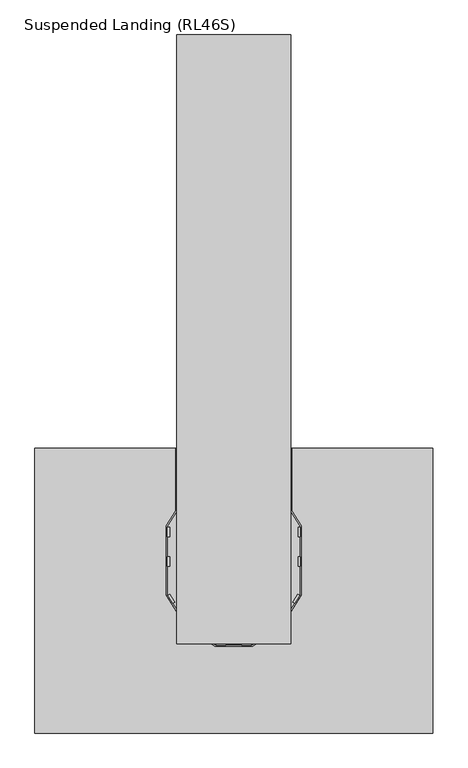
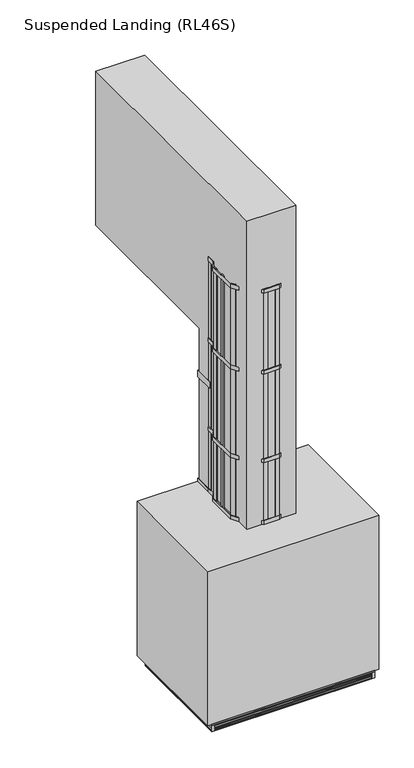
"""IFC4 building model written with IfcOpenShell, lengths in millimetres: proxy geometry, Suspended Landing (RL46S)."""

from ifc_helpers import new_model, si_unit, point, frame, frame_2d, origin, place, context, project, spatial, polyline, circle_curve, trimmed, segment, composite_curve, outline, extrude, faceted_brep, source, transform, mapped, element, save


def suspended_landing_rl46s_12ea2ded(model_context):
    return source(origin(), model_context, "Body", "SolidModel", [
        faceted_brep([(-2372.0, 139.0, 4911.0), (-2410.5, 139.0, 4911.0), (-2410.5, -1275.0, 4911.0), (-2372.0, -1275.0, 4911.0), (-2372.0, -1278.0, 4911.0), (-449.0, -1278.0, 4911.0), (-449.0, -1275.0, 4911.0), (-410.5, -1275.0, 4911.0), (-410.5, 139.0, 4911.0), (-449.0, 139.0, 4911.0), (-449.0, 142.0, 4911.0), (-2372.0, 142.0, 4911.0), (-423.5, 129.0, 4911.0), (-423.5, -1265.0, 4911.0), (-2397.5, -1265.0, 4911.0), (-2397.5, 129.0, 4911.0), (-2372.0, 142.0, 4904.0), (-2372.0, 139.0, 4904.0), (-2372.0, 139.0, 4949.0), (-2372.0, 139.0, 4967.0), (-2372.0, 142.0, 4967.0), (-2372.0, 142.0, 4949.0), (-2372.0, 139.0, 4921.0), (-2372.0, 139.0, 4939.0), (-2372.0, 142.0, 4939.0), (-2372.0, 142.0, 4921.0), (-2372.0, 139.0, 4984.0), (-2372.0, 142.0, 4984.0), (-2372.0, 142.0, 4977.0), (-2372.0, 139.0, 4977.0), (-2410.5, 139.0, 4967.0), (-2410.5, -1275.0, 4967.0), (-2372.0, -1275.0, 4967.0), (-2372.0, -1278.0, 4967.0), (-449.0, -1278.0, 4967.0), (-449.0, -1275.0, 4967.0), (-410.5, -1275.0, 4967.0), (-410.5, 139.0, 4967.0), (-449.0, 139.0, 4967.0), (-449.0, 142.0, 4967.0), (-423.5, 129.0, 4967.0), (-423.5, -1265.0, 4967.0), (-2397.5, -1265.0, 4967.0), (-2397.5, 129.0, 4967.0), (-423.5, 129.0, 4977.0), (-2397.5, 129.0, 4977.0), (-2410.5, 139.0, 4921.0), (-449.0, 142.0, 4921.0), (-449.0, 139.0, 4921.0), (-410.5, 139.0, 4921.0), (-410.5, -1275.0, 4921.0), (-449.0, -1275.0, 4921.0), (-449.0, -1278.0, 4921.0), (-2372.0, -1278.0, 4921.0), (-2372.0, -1275.0, 4921.0), (-2410.5, -1275.0, 4921.0), (-423.5, -1265.0, 4921.0), (-423.5, 129.0, 4921.0), (-2397.5, 129.0, 4921.0), (-2397.5, -1265.0, 4921.0), (-410.5, 139.0, 4949.0), (-449.0, 139.0, 4949.0), (-410.5, 139.0, 4939.0), (-449.0, 139.0, 4939.0), (-410.5, 139.0, 4904.0), (-449.0, 139.0, 4904.0), (-449.0, 139.0, 4984.0), (-410.5, 139.0, 4984.0), (-410.5, 139.0, 4977.0), (-449.0, 139.0, 4977.0), (-410.5, -1275.0, 4904.0), (-410.5, -1275.0, 4984.0), (-410.5, -1275.0, 4977.0), (-410.5, -1275.0, 4949.0), (-410.5, -1275.0, 4939.0), (-2372.0, -1239.5, 4984.0), (-449.0, -1239.5, 4984.0), (-449.0, -1239.5, 4904.0), (-2372.0, -1239.5, 4904.0), (-2410.5, -1275.0, 4939.0), (-2372.0, -1275.0, 4939.0), (-2410.5, -1275.0, 4904.0), (-2372.0, -1275.0, 4904.0), (-2372.0, -1275.0, 4984.0), (-2410.5, -1275.0, 4984.0), (-2410.5, -1275.0, 4977.0), (-2372.0, -1275.0, 4977.0), (-2410.5, -1275.0, 4949.0), (-2372.0, -1275.0, 4949.0), (-449.0, 142.0, 4904.0), (-449.0, -1275.0, 4904.0), (-449.0, -1278.0, 4904.0), (-2372.0, -1278.0, 4904.0), (-2410.5, 139.0, 4904.0), (-449.0, 103.5, 4904.0), (-2372.0, 103.5, 4904.0), (-2410.5, 139.0, 4984.0), (-2372.0, -1278.0, 4984.0), (-449.0, -1278.0, 4984.0), (-449.0, -1275.0, 4984.0), (-449.0, 142.0, 4984.0), (-449.0, 103.5, 4984.0), (-2372.0, 103.5, 4984.0), (-2410.5, 139.0, 4949.0), (-2410.5, 139.0, 4939.0), (-2410.5, 139.0, 4977.0), (-449.0, -1275.0, 4977.0), (-449.0, -1275.0, 4949.0), (-449.0, -1275.0, 4939.0), (-2372.0, -1278.0, 4939.0), (-2372.0, -1278.0, 4977.0), (-2372.0, -1278.0, 4949.0), (-449.0, -1278.0, 4949.0), (-449.0, -1278.0, 4939.0), (-449.0, -1278.0, 4977.0), (-449.0, 142.0, 4939.0), (-449.0, 142.0, 4977.0), (-449.0, 142.0, 4949.0), (-423.5, -1265.0, 4977.0), (-2397.5, -1265.0, 4977.0), (-423.5, 129.0, 4949.0), (-423.5, -1265.0, 4949.0), (-423.5, -1265.0, 4939.0), (-423.5, 129.0, 4939.0), (-2397.5, -1265.0, 4949.0), (-2397.5, -1265.0, 4939.0), (-2397.5, 129.0, 4949.0), (-2397.5, 129.0, 4939.0)], [[[0, 1, 2, 3, 4, 5, 6, 7, 8, 9, 10, 11], [12, 13, 14, 15]], [[16, 17, 0, 11]], [[18, 19, 20, 21]], [[22, 23, 24, 25]], [[26, 27, 28, 29]], [[19, 30, 31, 32, 33, 34, 35, 36, 37, 38, 39, 20], [40, 41, 42, 43]], [[44, 40, 43, 45]], [[46, 22, 25, 47, 48, 49, 50, 51, 52, 53, 54, 55], [56, 57, 58, 59]], [[37, 60, 61, 38]], [[62, 49, 48, 63]], [[64, 65, 9, 8]], [[66, 67, 68, 69]], [[70, 64, 8, 7]], [[67, 71, 72, 68]], [[36, 73, 60, 37]], [[74, 50, 49, 62]], [[75, 76, 77, 78]], [[79, 55, 54, 80]], [[81, 82, 3, 2]], [[83, 84, 85, 86]], [[31, 87, 88, 32]], [[17, 16, 89, 65, 64, 70, 90, 91, 92, 82, 81, 93], [94, 95, 78, 77]], [[26, 96, 84, 83, 97, 98, 99, 71, 67, 66, 100, 27], [101, 76, 75, 102]], [[17, 93, 1, 0]], [[19, 18, 103, 30]], [[23, 22, 46, 104]], [[96, 26, 29, 105]], [[93, 81, 2, 1]], [[30, 103, 87, 31]], [[84, 96, 105, 85]], [[104, 46, 55, 79]], [[90, 70, 7, 6]], [[71, 99, 106, 72]], [[35, 107, 73, 36]], [[108, 51, 50, 74]], [[76, 101, 94, 77]], [[102, 75, 78, 95]], [[101, 102, 95, 94]], [[80, 54, 53, 109]], [[82, 92, 4, 3]], [[97, 83, 86, 110]], [[32, 88, 111, 33]], [[33, 111, 112, 34]], [[109, 53, 52, 113]], [[92, 91, 5, 4]], [[98, 97, 110, 114]], [[99, 98, 114, 106]], [[91, 90, 6, 5]], [[107, 35, 34, 112]], [[51, 108, 113, 52]], [[63, 48, 47, 115]], [[65, 89, 10, 9]], [[100, 66, 69, 116]], [[38, 61, 117, 39]], [[39, 117, 21, 20]], [[115, 47, 25, 24]], [[89, 16, 11, 10]], [[27, 100, 116, 28]], [[44, 118, 41, 40]], [[57, 56, 13, 12]], [[41, 118, 119, 42]], [[13, 56, 59, 14]], [[42, 119, 45, 43]], [[14, 59, 58, 15]], [[105, 29, 28, 116, 69, 68, 72, 106, 114, 110, 86, 85], [118, 44, 45, 119]], [[57, 12, 15, 58]], [[120, 121, 122, 123]], [[122, 121, 124, 125]], [[125, 124, 126, 127]], [[103, 18, 21, 117, 61, 60, 73, 107, 112, 111, 88, 87], [121, 120, 126, 124]], [[23, 104, 79, 80, 109, 113, 108, 74, 62, 63, 115, 24], [123, 122, 125, 127]], [[120, 123, 127, 126]]]),
        extrude(outline(polyline([(-410.5, 142.0), (-410.5, -1278.0), (-2410.5, -1278.0), (-2410.5, 142.0), (-410.5, 142.0)]), holes=[polyline([(-469.5, 123.5), (-2351.5, 123.5), (-2351.5, -1259.5), (-469.5, -1259.5), (-469.5, 123.5)])]), frame((0.0, 0.0, 4984.0), z_axis=(0.0, 0.0, 1.0), x_axis=(1.0, 0.0, 0.0)), (0.0, 0.0, 1.0), 19.0),
        extrude(outline(polyline([(-469.5, 123.5), (-469.5, -1259.5), (-2351.5, -1259.5), (-2351.5, 123.5), (-469.5, 123.5)])), frame((0.0, 0.0, 4984.0), z_axis=(0.0, 0.0, 1.0), x_axis=(1.0, 0.0, 0.0)), (0.0, 0.0, 1.0), 16.0),
        extrude(outline(polyline([(-2410.5, 142.0), (-2372.0, 142.0), (-2372.0, 139.0), (-2410.5, 139.0), (-2410.5, 142.0)])), frame((0.0, 0.0, 4904.0), z_axis=(0.0, 0.0, 1.0), x_axis=(1.0, 0.0, 0.0)), (0.0, 0.0, 1.0), 80.0),
        extrude(outline(polyline([(-449.0, 142.0), (-410.5, 142.0), (-410.5, 139.0), (-449.0, 139.0), (-449.0, 142.0)])), frame((0.0, 0.0, 4904.0), z_axis=(0.0, 0.0, 1.0), x_axis=(1.0, 0.0, 0.0)), (0.0, 0.0, 1.0), 80.0),
        extrude(outline(polyline([(-410.5, -1278.0), (-449.0, -1278.0), (-449.0, -1275.0), (-410.5, -1275.0), (-410.5, -1278.0)])), frame((0.0, 0.0, 4904.0), z_axis=(0.0, 0.0, 1.0), x_axis=(1.0, 0.0, 0.0)), (0.0, 0.0, 1.0), 80.0),
        extrude(outline(polyline([(-2372.0, -1278.0), (-2410.5, -1278.0), (-2410.5, -1275.0), (-2372.0, -1275.0), (-2372.0, -1278.0)])), frame((0.0, 0.0, 4904.0), z_axis=(0.0, 0.0, 1.0), x_axis=(1.0, 0.0, 0.0)), (0.0, 0.0, 1.0), 80.0),
        faceted_brep([(-362.5, -1278.0, 7000.0), (-362.5, -1278.0, 5000.0), (-362.5, -712.25, 5000.0), (-362.5, -712.25, 5990.0), (-362.5, 12.75, 5990.0), (-362.5, 12.75, 5000.0), (-362.5, 222.0, 5000.0), (-362.5, 222.0, 7000.0), (-2458.5, -1278.0, 5000.0), (-2458.5, 222.0, 5000.0), (-454.0, 12.75, 5000.0), (-454.0, -712.25, 5000.0), (-2458.5, 222.0, 7000.0), (-2458.5, -1278.0, 7000.0), (-454.0, 12.75, 5990.0), (-454.0, -712.25, 5990.0)], [[[0, 1, 2, 3, 4, 5, 6, 7]], [[8, 9, 6, 5, 10, 11, 2, 1]], [[0, 7, 12, 13]], [[14, 10, 5, 4]], [[13, 12, 9, 8]], [[1, 0, 13, 8]], [[7, 6, 9, 12]], [[15, 14, 4, 3]], [[14, 15, 11, 10]], [[11, 15, 3, 2]]]),
        extrude(outline(polyline([(-1761.0, -399.1413289), (-1761.0, -349.1413289), (-1749.0, -349.1413289), (-1749.0, -399.1413289), (-1761.0, -399.1413289)])), frame((0.0, 0.0, 7000.0), z_axis=(0.0, 0.0, 1.0), x_axis=(1.0, 0.0, 0.0)), (0.0, 0.0, 1.0), 3050.0),
        extrude(outline(polyline([(-1761.0, -244.0), (-1761.0, -194.0), (-1749.0, -194.0), (-1749.0, -244.0), (-1761.0, -244.0)])), frame((0.0, 0.0, 7000.0), z_axis=(0.0, 0.0, 1.0), x_axis=(1.0, 0.0, 0.0)), (0.0, 0.0, 1.0), 3050.0),
        extrude(outline(polyline([(-1510.5, -821.0), (-1661.0, -721.0), (-1767.0, -551.0), (-1767.0, -187.2646621), (-1716.5, -107.2646621), (-1716.5, -4.0), (-1710.5, -4.0), (-1710.5, -109.0), (-1761.0, -189.0), (-1761.0, -549.2826578), (-1656.5965631, -716.7221321), (-1508.6883719, -815.0), (-1312.3116281, -815.0), (-1164.4034369, -716.7221321), (-1060.0, -549.2826578), (-1060.0, -189.0), (-1110.5, -109.0), (-1110.5, -4.0), (-1104.5, -4.0), (-1104.5, -107.2646621), (-1054.0, -187.2646621), (-1054.0, -551.0), (-1160.0, -721.0), (-1310.5, -821.0), (-1510.5, -821.0)])), frame((0.0, 0.0, 7800.0), z_axis=(0.0, 0.0, 1.0), x_axis=(1.0, 0.0, 0.0)), (0.0, 0.0, 1.0), 50.0),
        extrude(outline(polyline([(-1510.5, -821.0), (-1661.0, -721.0), (-1767.0, -551.0), (-1767.0, -187.2646621), (-1716.5, -107.2646621), (-1716.5, -4.0), (-1710.5, -4.0), (-1710.5, -109.0), (-1761.0, -189.0), (-1761.0, -549.2826578), (-1656.5965631, -716.7221321), (-1508.6883719, -815.0), (-1312.3116281, -815.0), (-1164.4034369, -716.7221321), (-1060.0, -549.2826578), (-1060.0, -189.0), (-1110.5, -109.0), (-1110.5, -4.0), (-1104.5, -4.0), (-1104.5, -107.2646621), (-1054.0, -187.2646621), (-1054.0, -551.0), (-1160.0, -721.0), (-1310.5, -821.0), (-1510.5, -821.0)])), frame((0.0, 0.0, 8950.0), z_axis=(0.0, 0.0, 1.0), x_axis=(1.0, 0.0, 0.0)), (0.0, 0.0, 1.0), 50.0),
        extrude(outline(polyline([(-1510.5, -821.0), (-1661.0, -721.0), (-1767.0, -551.0), (-1767.0, -187.2646621), (-1716.5, -107.2646621), (-1716.5, -4.0), (-1710.5, -4.0), (-1710.5, -109.0), (-1761.0, -189.0), (-1761.0, -549.2826578), (-1656.5965631, -716.7221321), (-1508.6883719, -815.0), (-1312.3116281, -815.0), (-1164.4034369, -716.7221321), (-1060.0, -549.2826578), (-1060.0, -189.0), (-1110.5, -109.0), (-1110.5, -4.0), (-1104.5, -4.0), (-1104.5, -107.2646621), (-1054.0, -187.2646621), (-1054.0, -551.0), (-1160.0, -721.0), (-1310.5, -821.0), (-1510.5, -821.0)])), frame((0.0, 0.0, 7000.0), z_axis=(0.0, 0.0, 1.0), x_axis=(1.0, 0.0, 0.0)), (0.0, 0.0, 1.0), 50.0),
        extrude(outline(polyline([(-1060.0, -399.1413289), (-1072.0, -399.1413289), (-1072.0, -349.1413289), (-1060.0, -349.1413289), (-1060.0, -399.1413289)])), frame((0.0, 0.0, 7000.0), z_axis=(0.0, 0.0, 1.0), x_axis=(1.0, 0.0, 0.0)), (0.0, 0.0, 1.0), 3050.0),
        extrude(outline(polyline([(-1503.6883719, -815.0), (-1503.6883719, -803.0), (-1453.6883719, -803.0), (-1453.6883719, -815.0), (-1503.6883719, -815.0)])), frame((0.0, 0.0, 7000.0), z_axis=(0.0, 0.0, 1.0), x_axis=(1.0, 0.0, 0.0)), (0.0, 0.0, 1.0), 3050.0),
        extrude(outline(polyline([(-1721.7167249, -589.6041694), (-1731.899429, -595.9533849), (-1758.3544935, -553.5254512), (-1748.1717895, -547.1762357), (-1721.7167249, -589.6041694)])), frame((0.0, 0.0, 7000.0), z_axis=(0.0, 0.0, 1.0), x_axis=(1.0, 0.0, 0.0)), (0.0, 0.0, 1.0), 3050.0),
        extrude(outline(polyline([(-1610.7870228, -747.1603648), (-1652.4320595, -719.4892441), (-1645.7909905, -709.4944353), (-1604.1459538, -737.165556), (-1610.7870228, -747.1603648)])), frame((0.0, 0.0, 7000.0), z_axis=(0.0, 0.0, 1.0), x_axis=(1.0, 0.0, 0.0)), (0.0, 0.0, 1.0), 3050.0),
        extrude(outline(polyline([(-1317.3116281, -815.0), (-1367.3116281, -815.0), (-1367.3116281, -803.0), (-1317.3116281, -803.0), (-1317.3116281, -815.0)])), frame((0.0, 0.0, 7000.0), z_axis=(0.0, 0.0, 1.0), x_axis=(1.0, 0.0, 0.0)), (0.0, 0.0, 1.0), 3050.0),
        extrude(outline(polyline([(-1099.2832751, -589.6041694), (-1072.8282105, -547.1762357), (-1062.6455065, -553.5254512), (-1089.100571, -595.9533849), (-1099.2832751, -589.6041694)])), frame((0.0, 0.0, 7000.0), z_axis=(0.0, 0.0, 1.0), x_axis=(1.0, 0.0, 0.0)), (0.0, 0.0, 1.0), 3050.0),
        extrude(outline(polyline([(-1210.2129772, -747.1603648), (-1216.8540462, -737.165556), (-1175.2090095, -709.4944353), (-1168.5679405, -719.4892441), (-1210.2129772, -747.1603648)])), frame((0.0, 0.0, 7000.0), z_axis=(0.0, 0.0, 1.0), x_axis=(1.0, 0.0, 0.0)), (0.0, 0.0, 1.0), 3050.0),
        extrude(outline(polyline([(-1060.0, -244.0), (-1072.0, -244.0), (-1072.0, -194.0), (-1060.0, -194.0), (-1060.0, -244.0)])), frame((0.0, 0.0, 7000.0), z_axis=(0.0, 0.0, 1.0), x_axis=(1.0, 0.0, 0.0)), (0.0, 0.0, 1.0), 3050.0),
        extrude(outline(polyline([(-1510.5, -821.0), (-1661.0, -721.0), (-1767.0, -551.0), (-1767.0, -187.2646621), (-1716.5, -107.2646621), (-1716.5, -4.0), (-1710.5, -4.0), (-1710.5, -109.0), (-1761.0, -189.0), (-1761.0, -549.2826578), (-1656.5965631, -716.7221321), (-1508.6883719, -815.0), (-1312.3116281, -815.0), (-1164.4034369, -716.7221321), (-1060.0, -549.2826578), (-1060.0, -189.0), (-1110.5, -109.0), (-1110.5, -4.0), (-1104.5, -4.0), (-1104.5, -107.2646621), (-1054.0, -187.2646621), (-1054.0, -551.0), (-1160.0, -721.0), (-1310.5, -821.0), (-1510.5, -821.0)])), frame((0.0, 0.0, 10000.0), z_axis=(0.0, 0.0, 1.0), x_axis=(1.0, 0.0, 0.0)), (0.0, 0.0, 1.0), 50.0),
        extrude(outline(composite_curve([segment(polyline([(-51.5, 8674.0769231), (-51.5, 8691.0769231)]), True, "CONTINUOUS"), segment(trimmed(circle_curve(frame_2d((-29.0, 8678.1057692)), 25.9711538), [point((-51.5, 8691.0769231))], [point((-6.5, 8691.0769231))], False, "CARTESIAN"), True, "CONTINUOUS"), segment(polyline([(-6.5, 8691.0769231), (-6.5, 8674.0769231), (-51.5, 8674.0769231)]), True, "CONTINUOUS")], self_intersect=False)), frame((-1672.5, 0.0, 0.0), z_axis=(1.0, 0.0, 0.0), x_axis=(0.0, 1.0, 0.0)), (0.0, 0.0, 1.0), 524.0),
        extrude(outline(composite_curve([segment(polyline([(-51.5, 8378.1538462), (-51.5, 8395.1538462)]), True, "CONTINUOUS"), segment(trimmed(circle_curve(frame_2d((-29.0, 8382.1826923)), 25.9711538), [point((-51.5, 8395.1538462))], [point((-6.5, 8395.1538462))], False, "CARTESIAN"), True, "CONTINUOUS"), segment(polyline([(-6.5, 8395.1538462), (-6.5, 8378.1538462), (-51.5, 8378.1538462)]), True, "CONTINUOUS")], self_intersect=False)), frame((-1672.5, 0.0, 0.0), z_axis=(1.0, 0.0, 0.0), x_axis=(0.0, 1.0, 0.0)), (0.0, 0.0, 1.0), 524.0),
        extrude(outline(composite_curve([segment(polyline([(-51.5, 8082.2307692), (-51.5, 8099.2307692)]), True, "CONTINUOUS"), segment(trimmed(circle_curve(frame_2d((-29.0, 8086.2596154)), 25.9711538), [point((-51.5, 8099.2307692))], [point((-6.5, 8099.2307692))], False, "CARTESIAN"), True, "CONTINUOUS"), segment(polyline([(-6.5, 8099.2307692), (-6.5, 8082.2307692), (-51.5, 8082.2307692)]), True, "CONTINUOUS")], self_intersect=False)), frame((-1672.5, 0.0, 0.0), z_axis=(1.0, 0.0, 0.0), x_axis=(0.0, 1.0, 0.0)), (0.0, 0.0, 1.0), 524.0),
        extrude(outline(composite_curve([segment(polyline([(-51.5, 7786.3076923), (-51.5, 7803.3076923)]), True, "CONTINUOUS"), segment(trimmed(circle_curve(frame_2d((-29.0, 7790.3365385)), 25.9711538), [point((-51.5, 7803.3076923))], [point((-6.5, 7803.3076923))], False, "CARTESIAN"), True, "CONTINUOUS"), segment(polyline([(-6.5, 7803.3076923), (-6.5, 7786.3076923), (-51.5, 7786.3076923)]), True, "CONTINUOUS")], self_intersect=False)), frame((-1672.5, 0.0, 0.0), z_axis=(1.0, 0.0, 0.0), x_axis=(0.0, 1.0, 0.0)), (0.0, 0.0, 1.0), 524.0),
        extrude(outline(composite_curve([segment(polyline([(-51.5, 7490.3846154), (-51.5, 7507.3846154)]), True, "CONTINUOUS"), segment(trimmed(circle_curve(frame_2d((-29.0, 7494.4134615)), 25.9711538), [point((-51.5, 7507.3846154))], [point((-6.5, 7507.3846154))], False, "CARTESIAN"), True, "CONTINUOUS"), segment(polyline([(-6.5, 7507.3846154), (-6.5, 7490.3846154), (-51.5, 7490.3846154)]), True, "CONTINUOUS")], self_intersect=False)), frame((-1672.5, 0.0, 0.0), z_axis=(1.0, 0.0, 0.0), x_axis=(0.0, 1.0, 0.0)), (0.0, 0.0, 1.0), 524.0),
        extrude(outline(composite_curve([segment(polyline([(-51.5, 7194.4615385), (-51.5, 7211.4615385)]), True, "CONTINUOUS"), segment(trimmed(circle_curve(frame_2d((-29.0, 7198.4903846)), 25.9711538), [point((-51.5, 7211.4615385))], [point((-6.5, 7211.4615385))], False, "CARTESIAN"), True, "CONTINUOUS"), segment(polyline([(-6.5, 7211.4615385), (-6.5, 7194.4615385), (-51.5, 7194.4615385)]), True, "CONTINUOUS")], self_intersect=False)), frame((-1672.5, 0.0, 0.0), z_axis=(1.0, 0.0, 0.0), x_axis=(0.0, 1.0, 0.0)), (0.0, 0.0, 1.0), 524.0),
        extrude(outline(composite_curve([segment(polyline([(-51.5, 6898.5384615), (-51.5, 6915.5384615)]), True, "CONTINUOUS"), segment(trimmed(circle_curve(frame_2d((-29.0, 6902.5673077)), 25.9711538), [point((-51.5, 6915.5384615))], [point((-6.5, 6915.5384615))], False, "CARTESIAN"), True, "CONTINUOUS"), segment(polyline([(-6.5, 6915.5384615), (-6.5, 6898.5384615), (-51.5, 6898.5384615)]), True, "CONTINUOUS")], self_intersect=False)), frame((-1672.5, 0.0, 0.0), z_axis=(1.0, 0.0, 0.0), x_axis=(0.0, 1.0, 0.0)), (0.0, 0.0, 1.0), 524.0),
        extrude(outline(composite_curve([segment(polyline([(-51.5, 6602.6153846), (-51.5, 6619.6153846)]), True, "CONTINUOUS"), segment(trimmed(circle_curve(frame_2d((-29.0, 6606.6442308)), 25.9711538), [point((-51.5, 6619.6153846))], [point((-6.5, 6619.6153846))], False, "CARTESIAN"), True, "CONTINUOUS"), segment(polyline([(-6.5, 6619.6153846), (-6.5, 6602.6153846), (-51.5, 6602.6153846)]), True, "CONTINUOUS")], self_intersect=False)), frame((-1672.5, 0.0, 0.0), z_axis=(1.0, 0.0, 0.0), x_axis=(0.0, 1.0, 0.0)), (0.0, 0.0, 1.0), 524.0),
        extrude(outline(composite_curve([segment(polyline([(-51.5, 6306.6923077), (-51.5, 6323.6923077)]), True, "CONTINUOUS"), segment(trimmed(circle_curve(frame_2d((-29.0, 6310.7211538)), 25.9711538), [point((-51.5, 6323.6923077))], [point((-6.5, 6323.6923077))], False, "CARTESIAN"), True, "CONTINUOUS"), segment(polyline([(-6.5, 6323.6923077), (-6.5, 6306.6923077), (-51.5, 6306.6923077)]), True, "CONTINUOUS")], self_intersect=False)), frame((-1672.5, 0.0, 0.0), z_axis=(1.0, 0.0, 0.0), x_axis=(0.0, 1.0, 0.0)), (0.0, 0.0, 1.0), 524.0),
        extrude(outline(composite_curve([segment(polyline([(-51.5, 6010.7692308), (-51.5, 6027.7692308)]), True, "CONTINUOUS"), segment(trimmed(circle_curve(frame_2d((-29.0, 6014.7980769)), 25.9711538), [point((-51.5, 6027.7692308))], [point((-6.5, 6027.7692308))], False, "CARTESIAN"), True, "CONTINUOUS"), segment(polyline([(-6.5, 6027.7692308), (-6.5, 6010.7692308), (-51.5, 6010.7692308)]), True, "CONTINUOUS")], self_intersect=False)), frame((-1672.5, 0.0, 0.0), z_axis=(1.0, 0.0, 0.0), x_axis=(0.0, 1.0, 0.0)), (0.0, 0.0, 1.0), 524.0),
        extrude(outline(composite_curve([segment(polyline([(-51.5, 5714.8461538), (-51.5, 5731.8461538)]), True, "CONTINUOUS"), segment(trimmed(circle_curve(frame_2d((-29.0, 5718.875)), 25.9711538), [point((-51.5, 5731.8461538))], [point((-6.5, 5731.8461538))], False, "CARTESIAN"), True, "CONTINUOUS"), segment(polyline([(-6.5, 5731.8461538), (-6.5, 5714.8461538), (-51.5, 5714.8461538)]), True, "CONTINUOUS")], self_intersect=False)), frame((-1672.5, 0.0, 0.0), z_axis=(1.0, 0.0, 0.0), x_axis=(0.0, 1.0, 0.0)), (0.0, 0.0, 1.0), 524.0),
        extrude(outline(composite_curve([segment(polyline([(-51.5, 5418.9230769), (-51.5, 5435.9230769)]), True, "CONTINUOUS"), segment(trimmed(circle_curve(frame_2d((-29.0, 5422.9519231)), 25.9711538), [point((-51.5, 5435.9230769))], [point((-6.5, 5435.9230769))], False, "CARTESIAN"), True, "CONTINUOUS"), segment(polyline([(-6.5, 5435.9230769), (-6.5, 5418.9230769), (-51.5, 5418.9230769)]), True, "CONTINUOUS")], self_intersect=False)), frame((-1672.5, 0.0, 0.0), z_axis=(1.0, 0.0, 0.0), x_axis=(0.0, 1.0, 0.0)), (0.0, 0.0, 1.0), 524.0),
        extrude(outline(composite_curve([segment(polyline([(-51.5, 8970.0), (-51.5, 8987.0)]), True, "CONTINUOUS"), segment(trimmed(circle_curve(frame_2d((-29.0, 8974.0288462)), 25.9711538), [point((-51.5, 8987.0))], [point((-6.5, 8987.0))], False, "CARTESIAN"), True, "CONTINUOUS"), segment(polyline([(-6.5, 8987.0), (-6.5, 8970.0), (-51.5, 8970.0)]), True, "CONTINUOUS")], self_intersect=False)), frame((-1672.5, 0.0, 0.0), z_axis=(1.0, 0.0, 0.0), x_axis=(0.0, 1.0, 0.0)), (0.0, 0.0, 1.0), 524.0),
        extrude(outline(composite_curve([segment(polyline([(-51.5, 5123.0), (-51.5, 5140.0)]), True, "CONTINUOUS"), segment(trimmed(circle_curve(frame_2d((-29.0, 5127.0288462)), 25.9711538), [point((-51.5, 5140.0))], [point((-6.5, 5140.0))], False, "CARTESIAN"), True, "CONTINUOUS"), segment(polyline([(-6.5, 5140.0), (-6.5, 5123.0), (-51.5, 5123.0)]), True, "CONTINUOUS")], self_intersect=False)), frame((-1672.5, 0.0, 0.0), z_axis=(1.0, 0.0, 0.0), x_axis=(0.0, 1.0, 0.0)), (0.0, 0.0, 1.0), 524.0),
        extrude(outline(polyline([(-1110.5, -58.0), (-1148.5, -58.0), (-1148.5, 0.0), (-1110.5, 0.0), (-1110.5, -58.0)])), frame((0.0, 0.0, 5003.0), z_axis=(0.0, 0.0, 1.0), x_axis=(1.0, 0.0, 0.0)), (0.0, 0.0, 1.0), 5047.0),
        extrude(outline(polyline([(-1672.5, -58.0), (-1710.5, -58.0), (-1710.5, 0.0), (-1672.5, 0.0), (-1672.5, -58.0)])), frame((0.0, 0.0, 5003.0), z_axis=(0.0, 0.0, 1.0), x_axis=(1.0, 0.0, 0.0)), (0.0, 0.0, 1.0), 5047.0),
        faceted_brep([(-1714.0, -249.0, 5000.0), (-1661.0, -249.0, 5000.0), (-1661.0, -249.0, 5003.0), (-1711.0, -249.0, 5003.0), (-1714.0, -249.0, 5003.0), (-1711.0, 111.0, 5003.0), (-1661.0, 111.0, 5003.0), (-1661.0, 111.0, 5000.0), (-1714.0, 111.0, 5000.0), (-1714.0, 111.0, 5003.0), (-1711.0, -202.0, 5050.0), (-1711.0, 64.0, 5050.0), (-1714.0, 64.0, 5050.0), (-1714.0, -202.0, 5050.0)], [[[0, 1, 2, 3, 4]], [[5, 6, 7, 8, 9]], [[10, 11, 12, 13]], [[8, 0, 4, 13, 12, 9]], [[1, 0, 8, 7]], [[2, 1, 7, 6]], [[3, 2, 6, 5]], [[3, 5, 11, 10]], [[5, 9, 12, 11]], [[4, 3, 10, 13]]]),
        faceted_brep([(-1110.0, -249.0, 5003.0), (-1160.0, -249.0, 5003.0), (-1160.0, -249.0, 5000.0), (-1107.0, -249.0, 5000.0), (-1107.0, -249.0, 5003.0), (-1107.0, 111.0, 5000.0), (-1160.0, 111.0, 5000.0), (-1160.0, 111.0, 5003.0), (-1110.0, 111.0, 5003.0), (-1107.0, 111.0, 5003.0), (-1107.0, 64.0, 5050.0), (-1107.0, -202.0, 5050.0), (-1110.0, 64.0, 5050.0), (-1110.0, -202.0, 5050.0)], [[[0, 1, 2, 3, 4]], [[5, 6, 7, 8, 9]], [[1, 0, 8, 7]], [[2, 1, 7, 6]], [[3, 2, 6, 5]], [[3, 5, 9, 10, 11, 4]], [[11, 10, 12, 13]], [[8, 0, 13, 12]], [[9, 8, 12, 10]], [[0, 4, 11, 13]]]),
        extrude(outline(polyline([(200.0, 9000.0), (200.0, 5000.0), (-809.5, 5000.0), (-809.5, 11000.0), (2400.0, 11000.0), (2400.0, 9000.0), (200.0, 9000.0)])), frame((-1710.5, 0.0, 0.0), z_axis=(1.0, 0.0, 0.0), x_axis=(0.0, 1.0, 0.0)), (0.0, 0.0, 1.0), 600.0),
        extrude(outline(polyline([(-1104.5, 222.0), (-1104.5, -29.0), (-1110.5, -29.0), (-1110.5, 217.0), (-1710.5, 217.0), (-1710.5, -29.0), (-1716.5, -29.0), (-1716.5, 222.0), (-1104.5, 222.0)])), frame((0.0, 0.0, 6960.0), z_axis=(0.0, 0.0, 1.0), x_axis=(1.0, 0.0, 0.0)), (0.0, 0.0, 1.0), 80.0),
        extrude(outline(polyline([(-1104.5, 222.0), (-1104.5, -29.0), (-1110.5, -29.0), (-1110.5, 217.0), (-1710.5, 217.0), (-1710.5, -29.0), (-1716.5, -29.0), (-1716.5, 222.0), (-1104.5, 222.0)])), frame((0.0, 0.0, 8360.0), z_axis=(0.0, 0.0, 1.0), x_axis=(1.0, 0.0, 0.0)), (0.0, 0.0, 1.0), 80.0),
    ])


if __name__ == "__main__":
    model = new_model("IFC4")
    model_context = context("Model", 3, world=origin())
    ifc_project = project(units=[si_unit("LENGTHUNIT", "METRE", prefix="MILLI")], contexts=[model_context])
    site = spatial("IfcSite", under=ifc_project)
    building = spatial("IfcBuilding", under=site)
    placement = place(None, origin())
    suspended_landing_rl46s_shape = suspended_landing_rl46s_12ea2ded(model_context)
    element("IfcBuildingElementProxy", 1, Name="Suspended Landing (RL46S)", ObjectType="Suspended Landing (RL46S)", at=placement, inside=building, context=model_context, shape_type="MappedRepresentation", body=[
        mapped(suspended_landing_rl46s_shape, transform((0.0, 0.0, 0.0), x_axis=(1.0, 0.0, 0.0), y_axis=(0.0, 1.0, 0.0), z_axis=(0.0, 0.0, 1.0))),
    ])
    save(model, "model.ifc")
